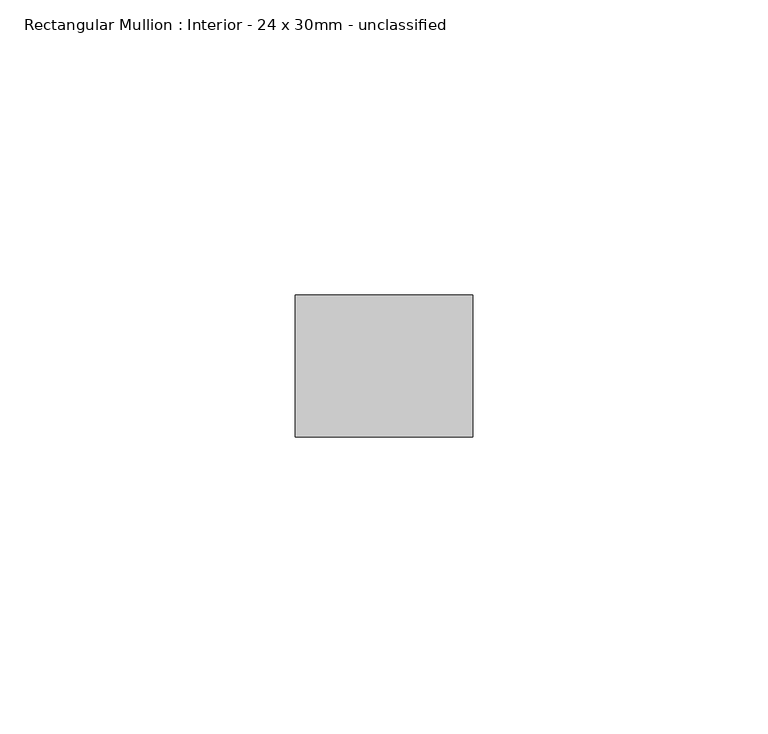
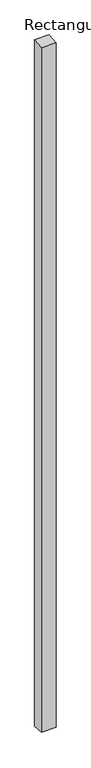
"""IFC4 building model written with IfcOpenShell, lengths in millimetres: member geometry, Rectangular Mullion : Interior - 24 x 30mm - unclassified."""

from ifc_helpers import new_model, si_unit, frame, origin, place, context, project, spatial, polyline, outline, extrude, source, transform, mapped, element, save


def rectangular_mullion_interior_24_x_30mm_unclassified_29ec9c1c(model_context):
    return source(origin(), model_context, "Body", "SweptSolid", [
        extrude(outline(polyline([(-12.0, -1.2931582), (12.0, 1.2931582), (12.0, -1501.0412308), (-12.0, -1498.9587692), (-12.0, -1.2931582)])), frame((-30.0, 0.0, 0.0), z_axis=(1.0, 0.0, 0.0), x_axis=(0.0, 1.0, 0.0)), (0.0, 0.0, 1.0), 30.0),
    ])


if __name__ == "__main__":
    model = new_model("IFC4")
    model_context = context("Model", 3, world=origin())
    ifc_project = project(units=[si_unit("LENGTHUNIT", "METRE", prefix="MILLI")], contexts=[model_context])
    site = spatial("IfcSite", under=ifc_project)
    building = spatial("IfcBuilding", under=site)
    placement = place(None, origin())
    rectangular_mullion_interior_24_x_30mm_unclassified_shape = rectangular_mullion_interior_24_x_30mm_unclassified_29ec9c1c(model_context)
    element("IfcMember", 1, ObjectType="Rectangular Mullion : Interior - 24 x 30mm - unclassified", at=placement, inside=building, context=model_context, shape_type="MappedRepresentation", body=[
        mapped(rectangular_mullion_interior_24_x_30mm_unclassified_shape, transform((0.0, 0.0, 0.0), x_axis=(1.0, 0.0, 0.0), y_axis=(0.0, 1.0, 0.0), z_axis=(0.0, 0.0, 1.0))),
    ])
    save(model, "model.ifc")
